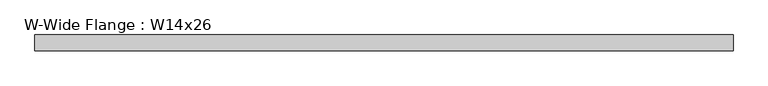
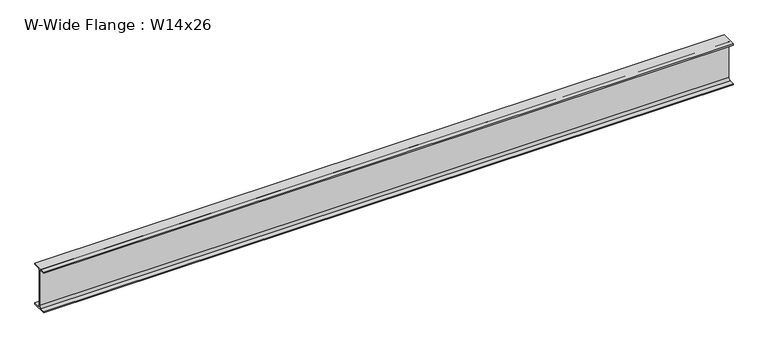
"""IFC4 building model written with IfcOpenShell, lengths in millimetres: beam geometry, W-Wide Flange : W14x26."""

from ifc_helpers import new_model, si_unit, point, frame, frame_2d, origin, place, context, project, spatial, polyline, circle_curve, trimmed, segment, composite_curve, outline, extrude, source, transform, mapped, element, save


def w_wide_flange_w14x26_dcb5f69a(model_context):
    return source(origin(), model_context, "Body", "SweptSolid", [
        extrude(outline(composite_curve([segment(polyline([(63.881, -165.862), (63.881, -176.53), (-63.881, -176.53), (-63.881, -165.862), (-21.1455, -165.862)]), True, "CONTINUOUS"), segment(trimmed(circle_curve(frame_2d((-21.1455, -147.955)), 17.907), [point((-21.1455, -165.862))], [point((-3.2385, -147.955))], True, "CARTESIAN"), True, "CONTINUOUS"), segment(polyline([(-3.2385, -147.955), (-3.2385, 147.955)]), True, "CONTINUOUS"), segment(trimmed(circle_curve(frame_2d((-21.1455, 147.955)), 17.907), [point((-3.2385, 147.955))], [point((-21.1455, 165.862))], True, "CARTESIAN"), True, "CONTINUOUS"), segment(polyline([(-21.1455, 165.862), (-63.881, 165.862), (-63.881, 176.53), (63.881, 176.53), (63.881, 165.862), (21.1455, 165.862)]), True, "CONTINUOUS"), segment(trimmed(circle_curve(frame_2d((21.1455, 147.955)), 17.907), [point((21.1455, 165.862))], [point((3.2385, 147.955))], True, "CARTESIAN"), True, "CONTINUOUS"), segment(polyline([(3.2385, 147.955), (3.2385, -147.955)]), True, "CONTINUOUS"), segment(trimmed(circle_curve(frame_2d((21.1455, -147.955)), 17.907), [point((3.2385, -147.955))], [point((21.1455, -165.862))], True, "CARTESIAN"), True, "CONTINUOUS"), segment(polyline([(21.1455, -165.862), (63.881, -165.862)]), True, "CONTINUOUS")], self_intersect=False)), frame((-2814.6336429, 0.0, 0.0), z_axis=(1.0, 0.0, 0.0), x_axis=(0.0, 1.0, 0.0)), (0.0, 0.0, 1.0), 5629.2672858),
    ])


if __name__ == "__main__":
    model = new_model("IFC4")
    model_context = context("Model", 3, world=origin())
    ifc_project = project(units=[si_unit("LENGTHUNIT", "METRE", prefix="MILLI")], contexts=[model_context])
    site = spatial("IfcSite", under=ifc_project)
    building = spatial("IfcBuilding", under=site)
    placement = place(None, origin())
    w_wide_flange_w14x26_shape = w_wide_flange_w14x26_dcb5f69a(model_context)
    element("IfcBeam", 1, ObjectType="W-Wide Flange : W14x26", at=placement, inside=building, context=model_context, shape_type="MappedRepresentation", body=[
        mapped(w_wide_flange_w14x26_shape, transform((0.0, 0.0, 0.0), x_axis=(1.0, 0.0, 0.0), y_axis=(0.0, 1.0, 0.0), z_axis=(0.0, 0.0, 1.0))),
    ])
    save(model, "model.ifc")
